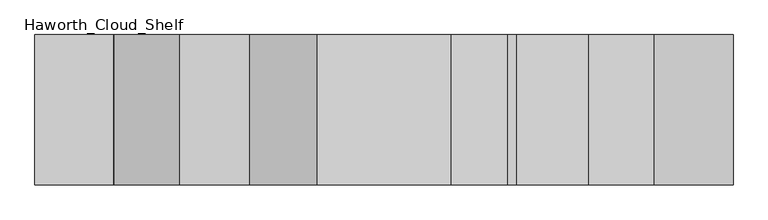
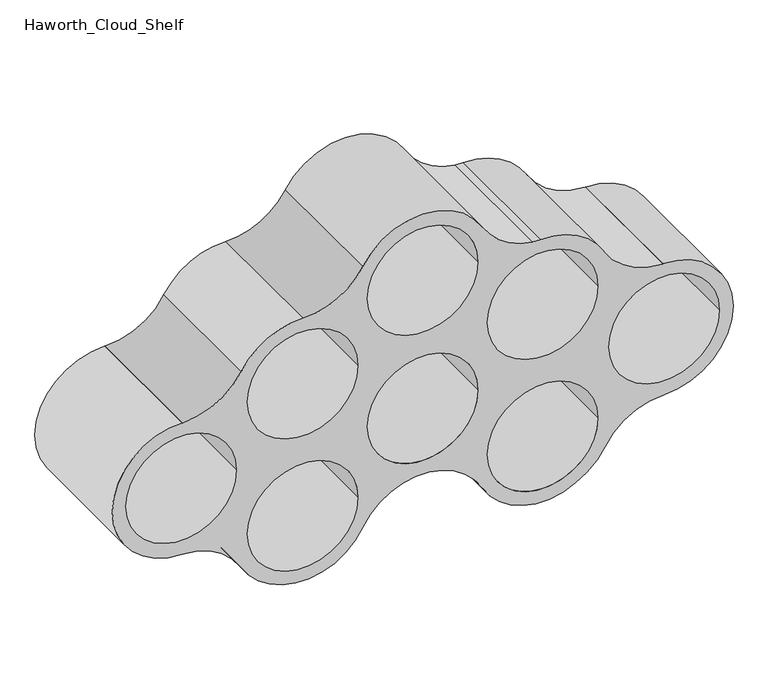
"""IFC4 building model written with IfcOpenShell, lengths in millimetres: furniture geometry, Haworth_Cloud_Shelf."""

from ifc_helpers import new_model, si_unit, point, frame, frame_2d, origin, place, context, project, spatial, circle_curve, trimmed, segment, composite_curve, outline, extrude, source, transform, mapped, element, save


def haworth_cloud_shelf_6b043196(model_context):
    return source(origin(), model_context, "Body", "SweptSolid", [
        extrude(outline(composite_curve([segment(trimmed(circle_curve(frame_2d((1035.364584, 582.1326)), 202.9316867), [point((932.8854982, 757.2876925))], [point((832.4538556, 579.2161347))], True, "CARTESIAN"), True, "CONTINUOUS"), segment(trimmed(circle_curve(frame_2d((621.3822927, 576.1823726)), 211.0933641), [point((832.4538556, 579.2161347))], [point((728.4040493, 394.2297635))], False, "CARTESIAN"), True, "CONTINUOUS"), segment(trimmed(circle_curve(frame_2d((831.8993013, 218.2727269)), 204.1375662), [point((728.4040493, 394.2297635))], [point((627.7629545, 218.9783153))], True, "CARTESIAN"), True, "CONTINUOUS"), segment(trimmed(circle_curve(frame_2d((729.3623476, 218.6271414)), 101.6), [point((627.7629545, 218.9783153))], [point((627.7650257, 217.8894524))], True, "CARTESIAN"), True, "CONTINUOUS"), segment(trimmed(circle_curve(frame_2d((419.978982, 216.3807366)), 207.7915209), [point((627.7650257, 217.8894524))], [point((212.1874611, 216.3807366))], False, "CARTESIAN"), True, "CONTINUOUS"), segment(trimmed(circle_curve(frame_2d((9.7465574, 215.9834218)), 202.4412936), [point((212.1874611, 216.3807366))], [point((110.8147253, 391.3906702))], True, "CARTESIAN"), True, "CONTINUOUS"), segment(trimmed(circle_curve(frame_2d((220.1466868, 581.1400142)), 218.9938158), [point((110.8147253, 391.3906702))], [point((2.5187069, 556.7196593))], False, "CARTESIAN"), True, "CONTINUOUS"), segment(trimmed(circle_curve(frame_2d((204.451375, 579.3788203)), 203.2), [point((2.5187069, 556.7196593))], [point((108.155787, 758.3128856))], False, "CARTESIAN"), True, "CONTINUOUS"), segment(trimmed(circle_curve(frame_2d((12.2369608, 936.5468616)), 202.4049689), [point((108.155787, 758.3128856))], [point((108.1478655, 1114.7851005))], True, "CARTESIAN"), True, "CONTINUOUS"), segment(trimmed(circle_curve(frame_2d((204.4355008, 1293.7234454)), 203.2), [point((108.1478655, 1114.7851005))], [point((2.2985989, 1314.4818863))], False, "CARTESIAN"), True, "CONTINUOUS"), segment(trimmed(circle_curve(frame_2d((220.1466868, 1292.1099858)), 218.9938158), [point((2.2985989, 1314.4818863))], [point((110.8147253, 1481.8593298))], False, "CARTESIAN"), True, "CONTINUOUS"), segment(trimmed(circle_curve(frame_2d((9.7465574, 1657.2665782)), 202.4412936), [point((110.8147253, 1481.8593298))], [point((212.1874611, 1656.8692634))], True, "CARTESIAN"), True, "CONTINUOUS"), segment(trimmed(circle_curve(frame_2d((419.978982, 1656.8692634)), 207.7915209), [point((212.1874611, 1656.8692634))], [point((627.7650257, 1655.3605476))], False, "CARTESIAN"), True, "CONTINUOUS"), segment(trimmed(circle_curve(frame_2d((729.3623476, 1654.6228586)), 101.6), [point((627.7650257, 1655.3605476))], [point((627.7629545, 1654.2716847))], True, "CARTESIAN"), True, "CONTINUOUS"), segment(trimmed(circle_curve(frame_2d((831.8993013, 1654.9772731)), 204.1375662), [point((627.7629545, 1654.2716847))], [point((728.4040493, 1479.0202365))], True, "CARTESIAN"), True, "CONTINUOUS"), segment(trimmed(circle_curve(frame_2d((621.3822927, 1297.0676274)), 211.0933641), [point((728.4040493, 1479.0202365))], [point((832.3460371, 1289.6712157))], False, "CARTESIAN"), True, "CONTINUOUS"), segment(trimmed(circle_curve(frame_2d((984.6524575, 1284.3313362)), 152.4), [point((832.3460371, 1289.6712157))], [point((833.5864757, 1264.2109695))], True, "CARTESIAN"), True, "CONTINUOUS"), segment(trimmed(circle_curve(frame_2d((1035.0077847, 1291.0381251)), 203.2), [point((833.5864757, 1264.2109695))], [point((932.6368145, 1115.5091405))], True, "CARTESIAN"), True, "CONTINUOUS"), segment(trimmed(circle_curve(frame_2d((828.1345627, 936.3257829)), 207.4304613), [point((932.6368145, 1115.5091405))], [point((932.8854982, 757.2876925))], False, "CARTESIAN"), True, "CONTINUOUS")], self_intersect=False), holes=[composite_curve([segment(trimmed(circle_curve(frame_2d((827.0836727, 936.8192348)), 165.1), [point((827.0836727, 1101.9192348))], [point((827.0836727, 771.7192348))], True, "CARTESIAN"), True, "CONTINUOUS"), segment(trimmed(circle_curve(frame_2d((827.0836727, 936.8192348)), 165.1), [point((827.0836727, 771.7192348))], [point((827.0836727, 1101.9192348))], True, "CARTESIAN"), True, "CONTINUOUS")], self_intersect=False), composite_curve([segment(trimmed(circle_curve(frame_2d((421.7911523, 936.8192348)), 165.1), [point((421.7911523, 1101.9192348))], [point((421.7911523, 771.7192348))], True, "CARTESIAN"), True, "CONTINUOUS"), segment(trimmed(circle_curve(frame_2d((421.7911523, 936.8192348)), 165.1), [point((421.7911523, 771.7192348))], [point((421.7911523, 1101.9192348))], True, "CARTESIAN"), True, "CONTINUOUS")], self_intersect=False), composite_curve([segment(trimmed(circle_curve(frame_2d((625.4471844, 577.8380579)), 165.1), [point((625.4471844, 742.9380579))], [point((625.4471844, 412.7380579))], True, "CARTESIAN"), True, "CONTINUOUS"), segment(trimmed(circle_curve(frame_2d((625.4471844, 577.8380579)), 165.1), [point((625.4471844, 412.7380579))], [point((625.4471844, 742.9380579))], True, "CARTESIAN"), True, "CONTINUOUS")], self_intersect=False), composite_curve([segment(trimmed(circle_curve(frame_2d((207.7025159, 577.8380579)), 165.1), [point((207.7025159, 742.9380579))], [point((207.7025159, 412.7380579))], True, "CARTESIAN"), True, "CONTINUOUS"), segment(trimmed(circle_curve(frame_2d((207.7025159, 577.8380579)), 165.1), [point((207.7025159, 412.7380579))], [point((207.7025159, 742.9380579))], True, "CARTESIAN"), True, "CONTINUOUS")], self_intersect=False), composite_curve([segment(trimmed(circle_curve(frame_2d((421.8014388, 214.8990558)), 165.1), [point((421.8014388, 379.9990558))], [point((421.8014388, 49.7990558))], True, "CARTESIAN"), True, "CONTINUOUS"), segment(trimmed(circle_curve(frame_2d((421.8014388, 214.8990558)), 165.1), [point((421.8014388, 49.7990558))], [point((421.8014388, 379.9990558))], True, "CARTESIAN"), True, "CONTINUOUS")], self_intersect=False), composite_curve([segment(trimmed(circle_curve(frame_2d((625.4471844, 1295.4119421)), 165.1), [point((625.4471844, 1460.5119421))], [point((625.4471844, 1130.3119421))], True, "CARTESIAN"), True, "CONTINUOUS"), segment(trimmed(circle_curve(frame_2d((625.4471844, 1295.4119421)), 165.1), [point((625.4471844, 1130.3119421))], [point((625.4471844, 1460.5119421))], True, "CARTESIAN"), True, "CONTINUOUS")], self_intersect=False), composite_curve([segment(trimmed(circle_curve(frame_2d((207.7025159, 1295.4119421)), 165.1), [point((207.7025159, 1460.5119421))], [point((207.7025159, 1130.3119421))], True, "CARTESIAN"), True, "CONTINUOUS"), segment(trimmed(circle_curve(frame_2d((207.7025159, 1295.4119421)), 165.1), [point((207.7025159, 1130.3119421))], [point((207.7025159, 1460.5119421))], True, "CARTESIAN"), True, "CONTINUOUS")], self_intersect=False), composite_curve([segment(trimmed(circle_curve(frame_2d((421.8014388, 1658.3509442)), 165.1), [point((421.8014388, 1823.4509442))], [point((421.8014388, 1493.2509442))], True, "CARTESIAN"), True, "CONTINUOUS"), segment(trimmed(circle_curve(frame_2d((421.8014388, 1658.3509442)), 165.1), [point((421.8014388, 1493.2509442))], [point((421.8014388, 1823.4509442))], True, "CARTESIAN"), True, "CONTINUOUS")], self_intersect=False)]), frame((0.0, -400.05, 0.0), z_axis=(0.0, 1.0, 0.0), x_axis=(0.0, 0.0, 1.0)), (0.0, 0.0, 1.0), 400.05),
    ])


if __name__ == "__main__":
    model = new_model("IFC4")
    model_context = context("Model", 3, world=origin())
    ifc_project = project(units=[si_unit("LENGTHUNIT", "METRE", prefix="MILLI")], contexts=[model_context])
    site = spatial("IfcSite", under=ifc_project)
    building = spatial("IfcBuilding", under=site)
    placement = place(None, origin())
    haworth_cloud_shelf_shape = haworth_cloud_shelf_6b043196(model_context)
    element("IfcFurniture", 1, ObjectType="Haworth_Cloud_Shelf", at=placement, inside=building, context=model_context, shape_type="MappedRepresentation", body=[
        mapped(haworth_cloud_shelf_shape, transform((0.0, 0.0, 0.0), x_axis=(1.0, 0.0, 0.0), y_axis=(0.0, 1.0, 0.0), z_axis=(0.0, 0.0, 1.0))),
    ])
    save(model, "model.ifc")
